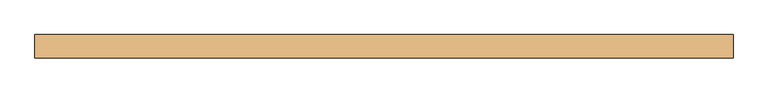
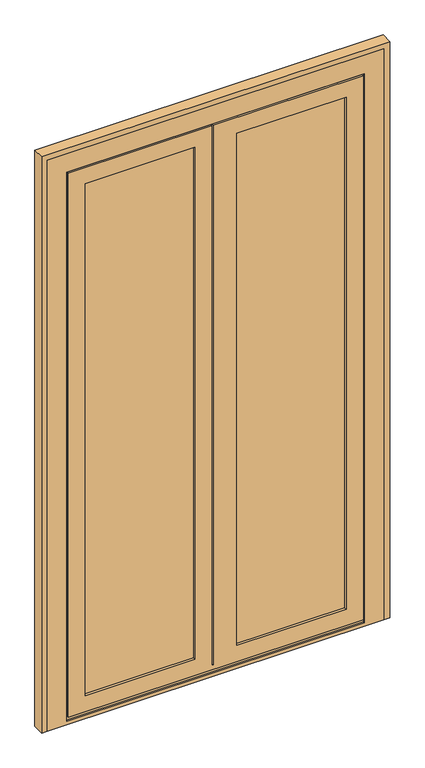
"""IFC4 building model written with IfcOpenShell, lengths in millimetres: door geometry."""

from ifc_helpers import new_model, si_unit, frame, origin, place, context, project, spatial, polyline, outline, extrude, faceted_brep, source, transform, mapped, element, save


def door_1222c540(model_context):
    return source(origin(), model_context, "Body", "SolidModel", [
        extrude(outline(polyline([(71.0, 69.5), (-343.0, 69.5), (-343.0, 91.0), (71.0, 91.0), (71.0, 69.5)])), frame((0.0, 0.0, 66.0), z_axis=(0.0, 0.0, 1.0), x_axis=(1.0, 0.0, 0.0)), (0.0, 0.0, 1.0), 1902.0),
        extrude(outline(polyline([(593.0, 69.5), (179.0, 69.5), (179.0, 91.0), (593.0, 91.0), (593.0, 69.5)])), frame((0.0, 0.0, 66.0), z_axis=(0.0, 0.0, 1.0), x_axis=(1.0, 0.0, 0.0)), (0.0, 0.0, 1.0), 1885.0),
        faceted_brep([(-406.0, 93.5, 3.0), (-406.0, 100.0, 3.0), (134.0, 100.0, 3.0), (134.0, 93.5, 3.0), (-388.0, 93.5, 3.0), (-388.0, 66.5, 3.0), (-397.0, 66.5, 3.0), (-397.0, 93.5, 3.0), (656.0, 93.5, 3.0), (647.0, 93.5, 3.0), (647.0, 66.5, 3.0), (638.0, 66.5, 3.0), (638.0, 93.5, 3.0), (139.0, 93.5, 3.0), (139.0, 100.0, 3.0), (656.0, 100.0, 3.0), (-406.0, 93.5, 2031.0), (-406.0, 100.0, 2031.0), (134.0, 100.0, 2031.0), (-325.0, 100.0, 1950.0), (-325.0, 100.0, 84.0), (53.0, 100.0, 84.0), (53.0, 100.0, 1950.0), (656.0, 100.0, 2031.0), (139.0, 100.0, 2031.0), (575.0, 100.0, 84.0), (575.0, 100.0, 1950.0), (197.0, 100.0, 1950.0), (197.0, 100.0, 84.0), (-325.0, 91.0, 1950.0), (-325.0, 91.0, 84.0), (-343.0, 91.0, 1968.0), (-343.0, 91.0, 66.0), (71.0, 91.0, 66.0), (71.0, 91.0, 1968.0), (53.0, 91.0, 1950.0), (53.0, 91.0, 84.0), (593.0, 91.0, 66.0), (593.0, 91.0, 1968.0), (179.0, 91.0, 1968.0), (179.0, 91.0, 66.0), (575.0, 91.0, 1950.0), (575.0, 91.0, 84.0), (197.0, 91.0, 84.0), (197.0, 91.0, 1950.0), (-343.0, 69.5, 1968.0), (-343.0, 69.5, 66.0), (71.0, 69.5, 1968.0), (71.0, 69.5, 66.0), (-325.0, 69.5, 1950.0), (-325.0, 69.5, 84.0), (53.0, 69.5, 84.0), (53.0, 69.5, 1950.0), (593.0, 69.5, 1968.0), (593.0, 69.5, 66.0), (179.0, 69.5, 66.0), (179.0, 69.5, 1968.0), (575.0, 69.5, 84.0), (575.0, 69.5, 1950.0), (197.0, 69.5, 1950.0), (197.0, 69.5, 84.0), (-325.0, 60.0, 1950.0), (-325.0, 60.0, 84.0), (-383.0, 60.0, 26.0), (633.0, 60.0, 26.0), (633.0, 60.0, 2008.0), (116.0, 60.0, 2008.0), (116.0, 60.0, 42.0), (111.0, 60.0, 42.0), (111.0, 60.0, 2008.0), (-383.0, 60.0, 2008.0), (53.0, 60.0, 1950.0), (53.0, 60.0, 84.0), (575.0, 60.0, 1950.0), (575.0, 60.0, 84.0), (197.0, 60.0, 84.0), (197.0, 60.0, 1950.0), (-383.0, 66.5, 2008.0), (-383.0, 66.5, 26.0), (647.0, 66.5, 2022.0), (-397.0, 66.5, 2022.0), (-388.0, 66.5, 12.0), (638.0, 66.5, 12.0), (111.0, 66.5, 42.0), (116.0, 66.5, 42.0), (116.0, 66.5, 2008.0), (633.0, 66.5, 2008.0), (633.0, 66.5, 26.0), (111.0, 66.5, 2008.0), (-397.0, 93.5, 2022.0), (134.0, 93.5, 2022.0), (134.0, 93.5, 2031.0), (647.0, 93.5, 2022.0), (656.0, 93.5, 2031.0), (139.0, 93.5, 2031.0), (139.0, 93.5, 2022.0), (638.0, 93.5, 12.0), (-388.0, 93.5, 12.0), (134.0, 93.5, 12.0), (139.0, 93.5, 12.0)], [[[0, 1, 2, 3, 4, 5, 6, 7]], [[8, 9, 10, 11, 12, 13, 14, 15]], [[1, 0, 16, 17]], [[1, 17, 18, 2], [19, 20, 21, 22]], [[23, 15, 14, 24], [25, 26, 27, 28]], [[19, 29, 30, 20]], [[31, 32, 33, 34], [30, 29, 35, 36]], [[37, 38, 39, 40], [41, 42, 43, 44]], [[31, 45, 46, 32]], [[46, 45, 47, 48], [49, 50, 51, 52]], [[53, 54, 55, 56], [57, 58, 59, 60]], [[49, 61, 62, 50]], [[63, 64, 65, 66, 67, 68, 69, 70], [62, 61, 71, 72], [73, 74, 75, 76]], [[70, 77, 78, 63]], [[10, 79, 80, 6, 5, 81, 82, 11], [83, 84, 85, 86, 87, 78, 77, 88]], [[7, 6, 80, 89]], [[0, 7, 89, 90, 91, 16]], [[92, 9, 8, 93, 94, 95]], [[17, 16, 91, 18]], [[93, 23, 24, 94]], [[29, 19, 22, 35]], [[26, 41, 44, 27]], [[45, 31, 34, 47]], [[38, 53, 56, 39]], [[61, 49, 52, 71]], [[58, 73, 76, 59]], [[77, 70, 69, 88]], [[65, 86, 85, 66]], [[80, 79, 92, 95, 90, 89]], [[15, 23, 93, 8]], [[41, 26, 25, 42]], [[53, 38, 37, 54]], [[73, 58, 57, 74]], [[86, 65, 64, 87]], [[79, 10, 9, 92]], [[20, 30, 36, 21]], [[42, 25, 28, 43]], [[32, 46, 48, 33]], [[54, 37, 40, 55]], [[50, 62, 72, 51]], [[74, 57, 60, 75]], [[82, 96, 12, 11]], [[97, 81, 5, 4]], [[96, 82, 81, 97, 98, 99]], [[12, 96, 99, 13]], [[97, 4, 3, 98]], [[66, 85, 84, 67]], [[76, 75, 60, 59]], [[39, 56, 55, 40]], [[44, 43, 28, 27]], [[14, 13, 99, 95, 94, 24]], [[90, 95, 99, 98]], [[3, 2, 18, 91, 90, 98]], [[36, 35, 22, 21]], [[47, 34, 33, 48]], [[72, 71, 52, 51]], [[68, 83, 88, 69]], [[87, 64, 63, 78]], [[84, 83, 68, 67]]]),
        faceted_brep([(-455.0, 60.0, 0.0), (-455.0, 100.0, 0.0), (705.0, 100.0, 0.0), (705.0, 60.0, 0.0), (-455.0, 100.0, 2080.0), (705.0, 100.0, 2080.0), (661.0, 100.0, 2036.0), (-411.0, 100.0, 2036.0), (-411.0, 100.0, 6.5), (134.0, 100.0, 6.5), (134.0, 100.0, 3.0), (139.0, 100.0, 3.0), (139.0, 100.0, 6.5), (661.0, 100.0, 6.5), (-411.0, 93.5, 2036.0), (-411.0, 93.5, 6.5), (661.0, 93.5, 2036.0), (661.0, 93.5, 6.5), (139.0, 93.5, 6.5), (139.0, 93.5, 3.0), (134.0, 93.5, 3.0), (134.0, 93.5, 6.5), (-397.0, 93.5, 2022.0), (-397.0, 93.5, 12.0), (647.0, 93.5, 12.0), (647.0, 93.5, 2022.0), (-397.0, 66.5, 2022.0), (-397.0, 66.5, 12.0), (647.0, 66.5, 2022.0), (647.0, 66.5, 12.0), (638.0, 66.5, 12.0), (638.0, 66.5, 2013.0), (116.0, 66.5, 2013.0), (111.0, 66.5, 2013.0), (-388.0, 66.5, 2013.0), (-388.0, 66.5, 12.0), (-388.0, 60.0, 2013.0), (-388.0, 60.0, 12.0), (705.0, 60.0, 2080.0), (-455.0, 60.0, 2080.0), (111.0, 60.0, 2013.0), (116.0, 60.0, 2013.0), (638.0, 60.0, 2013.0), (638.0, 60.0, 12.0)], [[[0, 1, 2, 3]], [[4, 5, 2, 1], [6, 7, 8, 9, 10, 11, 12, 13]], [[7, 14, 15, 8]], [[14, 16, 17, 18, 19, 20, 21, 15], [22, 23, 24, 25]], [[22, 26, 27, 23]], [[26, 28, 29, 30, 31, 32, 33, 34, 35, 27]], [[34, 36, 37, 35]], [[38, 39, 0, 3], [37, 36, 40, 41, 42, 43]], [[1, 0, 39, 4]], [[7, 6, 16, 14]], [[26, 22, 25, 28]], [[36, 34, 33, 32, 31, 42, 41, 40]], [[5, 4, 39, 38]], [[16, 6, 13, 17]], [[28, 25, 24, 29]], [[42, 31, 30, 43]], [[5, 38, 3, 2]], [[8, 15, 21, 9]], [[17, 13, 12, 18]], [[37, 43, 30, 29, 24, 23, 27, 35]], [[19, 11, 10, 20]], [[11, 19, 18, 12]], [[20, 10, 9, 21]]]),
        extrude(outline(polyline([(2100.0, -475.0), (0.0, -475.0), (0.0, -455.0), (2080.0, -455.0), (2080.0, 705.0), (0.0, 705.0), (0.0, 725.0), (2100.0, 725.0), (2100.0, -475.0)])), frame((0.0, 60.0, 0.0), z_axis=(0.0, 1.0, 0.0), x_axis=(0.0, 0.0, 1.0)), (0.0, 0.0, 1.0), 40.0),
    ])


if __name__ == "__main__":
    model = new_model("IFC4")
    model_context = context("Model", 3, world=origin())
    ifc_project = project(units=[si_unit("LENGTHUNIT", "METRE", prefix="MILLI")], contexts=[model_context])
    site = spatial("IfcSite", under=ifc_project)
    building = spatial("IfcBuilding", under=site)
    placement = place(None, origin())
    door_shape = door_1222c540(model_context)
    element("IfcDoor", 1, at=placement, inside=building, context=model_context, shape_type="MappedRepresentation", body=[
        mapped(door_shape, transform((0.0, 0.0, 0.0), x_axis=(1.0, 0.0, 0.0), y_axis=(0.0, 1.0, 0.0), z_axis=(0.0, 0.0, 1.0))),
    ])
    save(model, "model.ifc")
